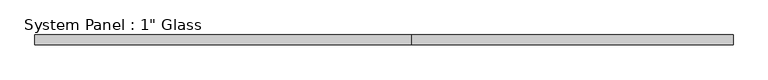
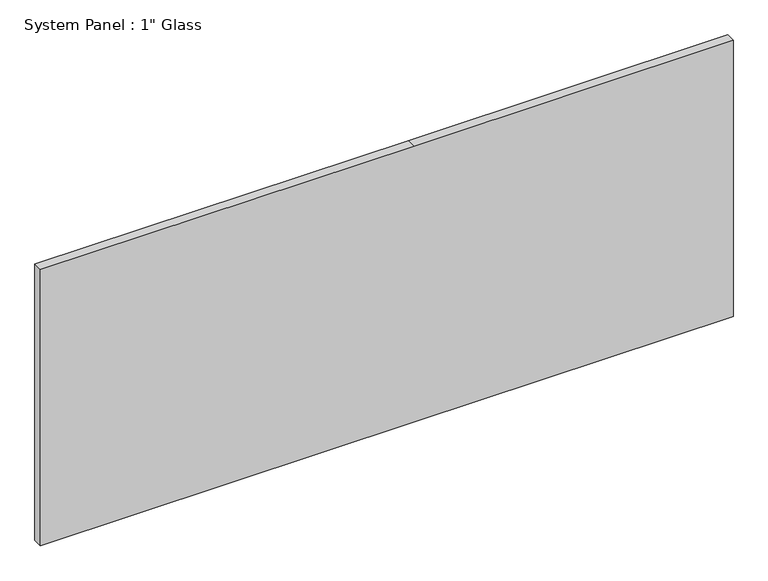
"""IFC4 building model written with IfcOpenShell, lengths in millimetres: plate geometry."""

from ifc_helpers import new_model, si_unit, frame, origin, place, context, project, spatial, polyline, outline, extrude, source, transform, mapped, element, save


def plate_3373b181(model_context):
    return source(origin(), model_context, "Body", "SweptSolid", [
        extrude(outline(polyline([(0.0, -918.0091185), (0.0, 72.5908815), (0.0, 918.0091185), (774.7, 918.0091185), (774.7, 72.5908815), (774.7, -918.0091185), (0.0, -918.0091185)])), frame((0.0, -12.7, 0.0), z_axis=(0.0, 1.0, 0.0), x_axis=(0.0, 0.0, 1.0)), (0.0, 0.0, 1.0), 25.4),
    ])


if __name__ == "__main__":
    model = new_model("IFC4")
    model_context = context("Model", 3, world=origin())
    ifc_project = project(units=[si_unit("LENGTHUNIT", "METRE", prefix="MILLI")], contexts=[model_context])
    site = spatial("IfcSite", under=ifc_project)
    building = spatial("IfcBuilding", under=site)
    placement = place(None, origin())
    plate_shape = plate_3373b181(model_context)
    element("IfcPlate", 1, ObjectType="System Panel : 1\" Glass", at=placement, inside=building, context=model_context, shape_type="MappedRepresentation", body=[
        mapped(plate_shape, transform((0.0, 0.0, 0.0), x_axis=(1.0, 0.0, 0.0), y_axis=(0.0, 1.0, 0.0), z_axis=(0.0, 0.0, 1.0))),
    ])
    save(model, "model.ifc")
